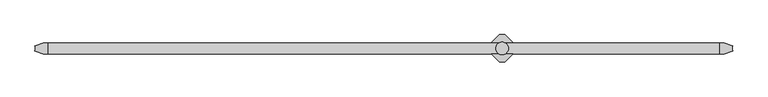
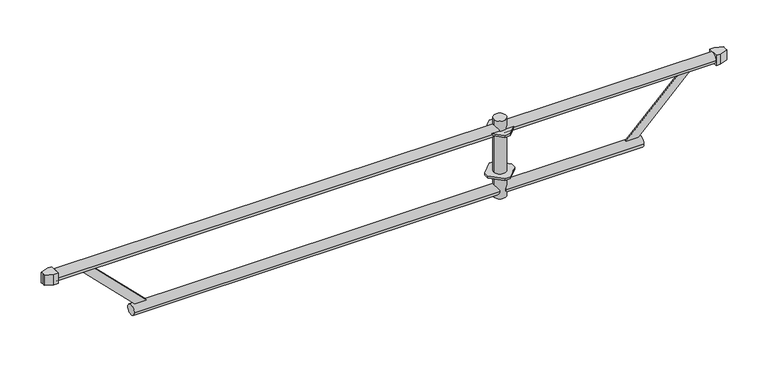
"""IFC4 building model written with IfcOpenShell, lengths in millimetres: proxy geometry."""

from ifc_helpers import new_model, si_unit, point, frame, frame_2d, origin, origin_2d, place, context, project, spatial, polyline, circle_curve, trimmed, segment, composite_curve, outline, extrude, source, transform, mapped, element, save


def generic_models_53898817(model_context):
    return source(origin(), model_context, "Body", "SweptSolid", [
        extrude(outline(composite_curve([segment(polyline([(71.5, -21.5), (54.4592, -21.5), (22.417134, -9.3788237)]), True, "CONTINUOUS"), segment(trimmed(circle_curve(frame_2d((5.2e-06, 0.0)), 24.3), [point((22.417134, -9.3788237))], [point((24.3000052, 0.0))], True, "CARTESIAN"), True, "CONTINUOUS"), segment(trimmed(circle_curve(frame_2d((5.2e-06, 0.0)), 24.3), [point((24.3000052, 0.0))], [point((22.417134, 9.3788237))], True, "CARTESIAN"), True, "CONTINUOUS"), segment(polyline([(22.417134, 9.3788237), (54.4592, 21.5), (71.5, 21.5), (71.5, -21.5)]), True, "CONTINUOUS")], self_intersect=False)), frame((0.0, 0.0, -21.5), z_axis=(0.0, 0.0, 1.0), x_axis=(1.0, 0.0, 0.0)), (0.0, 0.0, 1.0), 43.0),
        extrude(outline(composite_curve([segment(polyline([(2671.5, -21.5), (2671.5, 21.5), (2688.5408, 21.5), (2720.582866, 9.3788237)]), True, "CONTINUOUS"), segment(trimmed(circle_curve(frame_2d((2742.9999948, 0.0)), 24.3), [point((2720.582866, 9.3788237))], [point((2718.6999948, 0.0))], True, "CARTESIAN"), True, "CONTINUOUS"), segment(trimmed(circle_curve(frame_2d((2742.9999948, 0.0)), 24.3), [point((2718.6999948, 0.0))], [point((2720.582866, -9.3788237))], True, "CARTESIAN"), True, "CONTINUOUS"), segment(polyline([(2720.582866, -9.3788237), (2688.5408, -21.5), (2671.5, -21.5)]), True, "CONTINUOUS")], self_intersect=False)), frame((0.0, 0.0, -21.5), z_axis=(0.0, 0.0, 1.0), x_axis=(1.0, 0.0, 0.0)), (0.0, 0.0, 1.0), 43.0),
        extrude(outline(polyline([(1839.5, 53.0), (1882.0, 10.5), (1882.0, -10.5), (1839.5, -53.0), (1818.5, -53.0), (1776.0, -10.5), (1776.0, 10.5), (1818.5, 53.0), (1839.5, 53.0)]), holes=[composite_curve([segment(trimmed(circle_curve(frame_2d((1829.0, 0.0)), 24.3), [point((1804.7, 0.0))], [point((1853.3, 0.0))], True, "CARTESIAN"), True, "CONTINUOUS"), segment(trimmed(circle_curve(frame_2d((1829.0, 0.0)), 24.3), [point((1853.3, 0.0))], [point((1804.7, 0.0))], True, "CARTESIAN"), True, "CONTINUOUS")], self_intersect=False)]), frame((0.0, 0.0, -184.0), z_axis=(0.0, 0.0, 1.0), x_axis=(1.0, 0.0, 0.0)), (0.0, 0.0, 1.0), 8.0),
        extrude(outline(polyline([(1839.5, 53.0), (1882.0, 10.5), (1882.0, -10.5), (1839.5, -53.0), (1818.5, -53.0), (1776.0, -10.5), (1776.0, 10.5), (1818.5, 53.0), (1839.5, 53.0)]), holes=[composite_curve([segment(trimmed(circle_curve(frame_2d((1829.0, 0.0)), 24.3), [point((1804.7, 0.0))], [point((1853.3, 0.0))], True, "CARTESIAN"), True, "CONTINUOUS"), segment(trimmed(circle_curve(frame_2d((1829.0, 0.0)), 24.3), [point((1853.3, 0.0))], [point((1804.7, 0.0))], True, "CARTESIAN"), True, "CONTINUOUS")], self_intersect=False)]), frame((0.0, 0.0, -4.0), z_axis=(0.0, 0.0, 1.0), x_axis=(1.0, 0.0, 0.0)), (0.0, 0.0, 1.0), 8.0),
        extrude(outline(polyline([(0.0, -34.0000001), (0.0, 0.0), (5.0, 0.0), (5.0, -34.0000001), (0.0, -34.0000001)])), frame((2324.4453069, -2.5, -230.513025), z_axis=(0.7071067811865466, 0.0, 0.7071067811865486), x_axis=(0.0, 1.0, 0.0)), (0.0, 0.0, 1.0), 334.7017354),
        extrude(outline(polyline([(0.0, -333.0751583), (0.0, 0.0), (5.0, 0.0), (5.0, -333.0751583), (0.0, -333.0751583)])), frame((174.8802316, -2.5, -19.9218756), z_axis=(0.7071067811867122, 0.0, 0.7071067811863828), x_axis=(0.0, 1.0, 0.0)), (0.0, 0.0, 1.0), 34.0),
        extrude(outline(composite_curve([segment(trimmed(circle_curve(origin_2d(), 21.35), [point((-21.35, 0.0))], [point((21.35, 0.0))], False, "CARTESIAN"), True, "CONTINUOUS"), segment(trimmed(circle_curve(origin_2d(), 21.35), [point((21.35, 0.0))], [point((-21.35, 0.0))], False, "CARTESIAN"), True, "CONTINUOUS")], self_intersect=False)), frame((1840.4058869, 0.0, 0.0), z_axis=(1.0, 0.0, 0.0), x_axis=(0.0, 1.0, 0.0)), (0.0, 0.0, 1.0), 831.0941131),
        extrude(outline(composite_curve([segment(trimmed(circle_curve(frame_2d((0.0, -250.0)), 21.35), [point((21.35, -250.0))], [point((-21.35, -250.0))], False, "CARTESIAN"), True, "CONTINUOUS"), segment(trimmed(circle_curve(frame_2d((0.0, -250.0)), 21.35), [point((-21.35, -250.0))], [point((21.35, -250.0))], False, "CARTESIAN"), True, "CONTINUOUS")], self_intersect=False)), frame((371.7, 0.0, 0.0), z_axis=(1.0, 0.0, 0.0), x_axis=(0.0, 1.0, 0.0)), (0.0, 0.0, 1.0), 1445.7133126),
        extrude(outline(composite_curve([segment(trimmed(circle_curve(frame_2d((0.0, -249.95)), 21.35), [point((-21.35, -249.95))], [point((21.35, -249.95))], False, "CARTESIAN"), True, "CONTINUOUS"), segment(trimmed(circle_curve(frame_2d((0.0, -249.95)), 21.35), [point((21.35, -249.95))], [point((-21.35, -249.95))], False, "CARTESIAN"), True, "CONTINUOUS")], self_intersect=False)), frame((1840.2166324, 0.0, 0.0), z_axis=(1.0, 0.0, 0.0), x_axis=(0.0, 1.0, 0.0)), (0.0, 0.0, 1.0), 546.0833676),
        extrude(outline(composite_curve([segment(trimmed(circle_curve(origin_2d(), 21.35), [point((21.35, 0.0))], [point((-21.35, 0.0))], False, "CARTESIAN"), True, "CONTINUOUS"), segment(trimmed(circle_curve(origin_2d(), 21.35), [point((-21.35, 0.0))], [point((21.35, 0.0))], False, "CARTESIAN"), True, "CONTINUOUS")], self_intersect=False)), frame((71.5, 0.0, 0.0), z_axis=(1.0, 0.0, 0.0), x_axis=(0.0, 1.0, 0.0)), (0.0, 0.0, 1.0), 1746.0872156),
        extrude(outline(composite_curve([segment(trimmed(circle_curve(frame_2d((1829.0, 0.0)), 24.3), [point((1804.7, 0.0))], [point((1853.3, 0.0))], False, "CARTESIAN"), True, "CONTINUOUS"), segment(trimmed(circle_curve(frame_2d((1829.0, 0.0)), 24.3), [point((1853.3, 0.0))], [point((1804.7, 0.0))], False, "CARTESIAN"), True, "CONTINUOUS")], self_intersect=False)), frame((0.0, 0.0, -280.0), z_axis=(0.0, 0.0, 1.0), x_axis=(1.0, 0.0, 0.0)), (0.0, 0.0, 1.0), 325.0),
    ])


if __name__ == "__main__":
    model = new_model("IFC4")
    model_context = context("Model", 3, world=origin())
    ifc_project = project(units=[si_unit("LENGTHUNIT", "METRE", prefix="MILLI")], contexts=[model_context])
    site = spatial("IfcSite", under=ifc_project)
    building = spatial("IfcBuilding", under=site)
    placement = place(None, origin())
    generic_models_shape = generic_models_53898817(model_context)
    element("IfcBuildingElementProxy", 1, Name="Generic Models", at=placement, inside=building, context=model_context, shape_type="MappedRepresentation", body=[
        mapped(generic_models_shape, transform((0.0, 0.0, 0.0), x_axis=(1.0, 0.0, 0.0), y_axis=(0.0, 1.0, 0.0), z_axis=(0.0, 0.0, 1.0))),
    ])
    save(model, "model.ifc")
